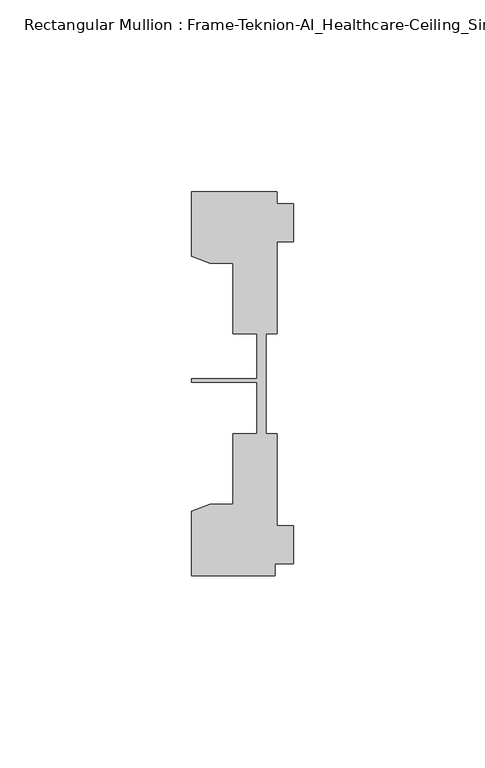
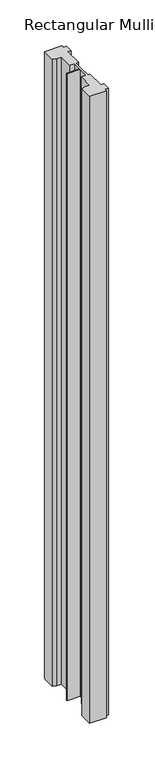
"""IFC4 building model written with IfcOpenShell, lengths in millimetres: member geometry, Rectangular Mullion : Frame-Teknion-AI_Healthcare-Ceiling_Single_Channel."""

from ifc_helpers import new_model, si_unit, frame, origin, place, context, project, spatial, polyline, outline, extrude, source, transform, mapped, element, save


def rectangular_mullion_frame_teknion_ai_healthcare_ceiling_af71acde(model_context):
    return source(origin(), model_context, "Body", "SweptSolid", [
        extrude(outline(polyline([(-26.4921999, -34.0201677), (-21.6625199, -32.2880982), (-15.6737764, -32.2880982), (-15.6737764, -13.9110722), (-9.4507761, -13.9110722), (-9.4507761, -0.4036528), (-26.4921999, -0.4036528), (-26.4921999, 0.4036528), (-9.4507761, 0.4036528), (-9.4507761, 12.2509301), (-15.6737764, 12.2509301), (-15.6737764, 30.6279561), (-21.6625199, 30.6279561), (-26.4921999, 32.3600207), (-26.4921999, 49.1699293), (-4.2672007, 49.1699293), (-4.2672007, 46.1219322), (0.0, 46.1219322), (0.0, 36.1219249), (-4.2672007, 36.1219249), (-4.2672007, 12.2509301), (-7.1647766, 12.2509301), (-7.1647766, -0.0814804), (-7.1647766, -13.9110722), (-4.2672007, -13.9110722), (-4.2672007, -37.7820716), (0.0, -37.7820716), (0.0, -47.782071), (-4.7752002, -47.782071), (-4.7752002, -50.8315128), (-26.4921999, -50.8315128), (-26.4921999, -34.0201677)])), frame((0.0, 0.0, -853.4590981), z_axis=(0.0, 0.0, 1.0), x_axis=(1.0, 0.0, 0.0)), (0.0, 0.0, 1.0), 853.4590981),
    ])


if __name__ == "__main__":
    model = new_model("IFC4")
    model_context = context("Model", 3, world=origin())
    ifc_project = project(units=[si_unit("LENGTHUNIT", "METRE", prefix="MILLI")], contexts=[model_context])
    site = spatial("IfcSite", under=ifc_project)
    building = spatial("IfcBuilding", under=site)
    placement = place(None, origin())
    rectangular_mullion_frame_teknion_ai_healthcare_ceiling_shape = rectangular_mullion_frame_teknion_ai_healthcare_ceiling_af71acde(model_context)
    element("IfcMember", 1, ObjectType="Rectangular Mullion : Frame-Teknion-AI_Healthcare-Ceiling_Single_Channel", at=placement, inside=building, context=model_context, shape_type="MappedRepresentation", body=[
        mapped(rectangular_mullion_frame_teknion_ai_healthcare_ceiling_shape, transform((0.0, 0.0, 0.0), x_axis=(1.0, 0.0, 0.0), y_axis=(0.0, 1.0, 0.0), z_axis=(0.0, 0.0, 1.0))),
    ])
    save(model, "model.ifc")
